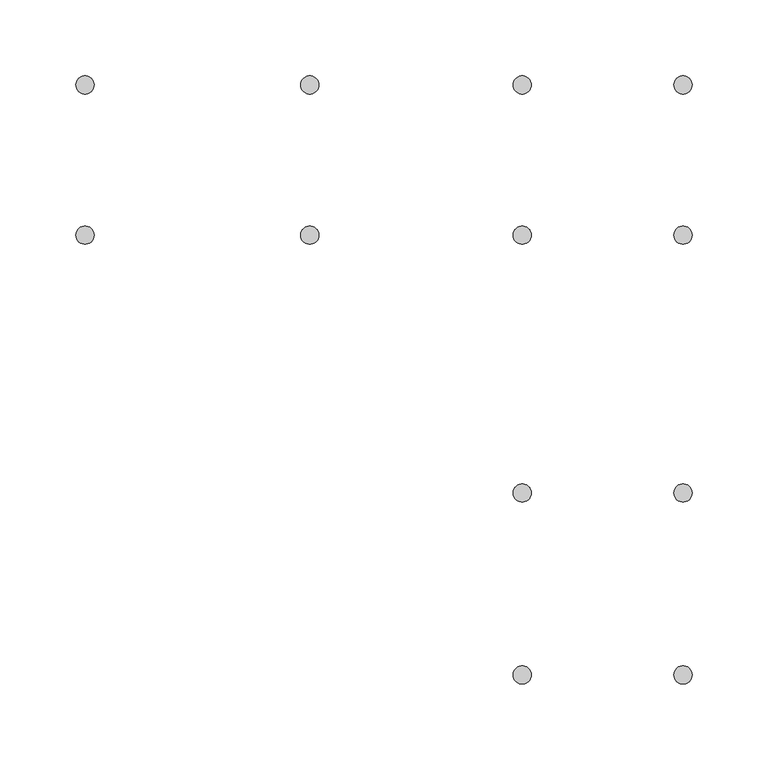
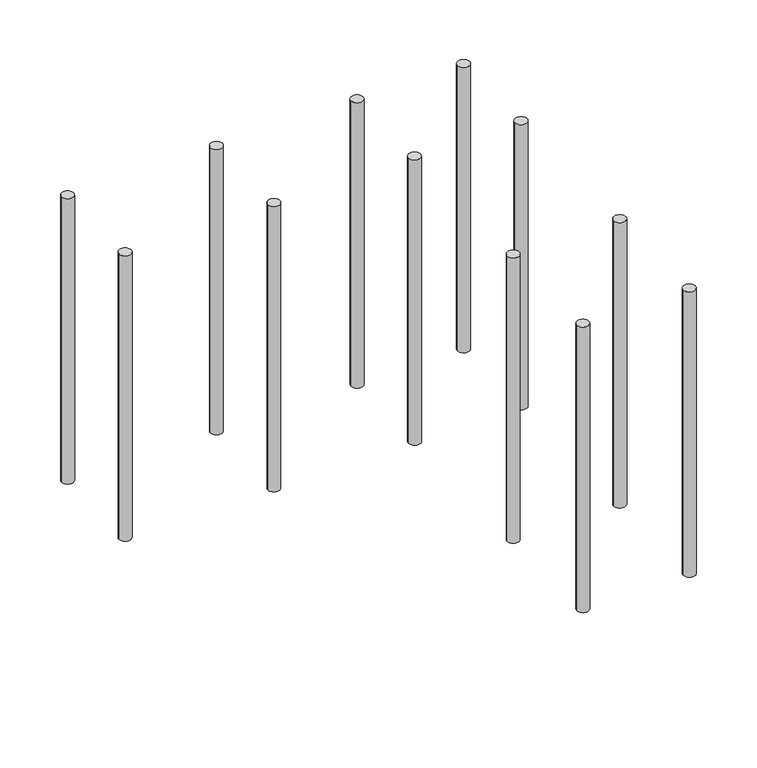
"""IFC4 building model written with IfcOpenShell, lengths in millimetres: proxy geometry."""

from ifc_helpers import new_model, si_unit, point, frame, frame_2d, origin, place, context, project, spatial, circle_curve, trimmed, segment, composite_curve, outline, extrude, source, transform, mapped, element, save


def generic_models_ec2449ee(model_context):
    return source(origin(), model_context, "Body", "SweptSolid", [
        extrude(outline(composite_curve([segment(trimmed(circle_curve(frame_2d((18299.8265066, 11618.1304458)), 6.0), [point((18293.8265066, 11618.1304458))], [point((18305.8265066, 11618.1304458))], False, "CARTESIAN"), True, "CONTINUOUS"), segment(trimmed(circle_curve(frame_2d((18299.8265066, 11618.1304458)), 6.0), [point((18305.8265066, 11618.1304458))], [point((18293.8265066, 11618.1304458))], False, "CARTESIAN"), True, "CONTINUOUS")], self_intersect=False)), frame((0.0, 0.0, 6660.0), z_axis=(0.0, 0.0, 1.0), x_axis=(1.0, 0.0, 0.0)), (0.0, 0.0, 1.0), 300.0),
        extrude(outline(composite_curve([segment(trimmed(circle_curve(frame_2d((18193.8265066, 11618.1304458)), 6.0), [point((18187.8265066, 11618.1304458))], [point((18199.8265066, 11618.1304458))], False, "CARTESIAN"), True, "CONTINUOUS"), segment(trimmed(circle_curve(frame_2d((18193.8265066, 11618.1304458)), 6.0), [point((18199.8265066, 11618.1304458))], [point((18187.8265066, 11618.1304458))], False, "CARTESIAN"), True, "CONTINUOUS")], self_intersect=False)), frame((0.0, 0.0, 6660.0), z_axis=(0.0, 0.0, 1.0), x_axis=(1.0, 0.0, 0.0)), (0.0, 0.0, 1.0), 300.0),
        extrude(outline(composite_curve([segment(trimmed(circle_curve(frame_2d((18299.8265066, 11498.1304458)), 6.0), [point((18293.8265066, 11498.1304458))], [point((18305.8265066, 11498.1304458))], False, "CARTESIAN"), True, "CONTINUOUS"), segment(trimmed(circle_curve(frame_2d((18299.8265066, 11498.1304458)), 6.0), [point((18305.8265066, 11498.1304458))], [point((18293.8265066, 11498.1304458))], False, "CARTESIAN"), True, "CONTINUOUS")], self_intersect=False)), frame((0.0, 0.0, 6660.0), z_axis=(0.0, 0.0, 1.0), x_axis=(1.0, 0.0, 0.0)), (0.0, 0.0, 1.0), 300.0),
        extrude(outline(composite_curve([segment(trimmed(circle_curve(frame_2d((18193.8265066, 11498.1304458)), 6.0), [point((18187.8265066, 11498.1304458))], [point((18199.8265066, 11498.1304458))], False, "CARTESIAN"), True, "CONTINUOUS"), segment(trimmed(circle_curve(frame_2d((18193.8265066, 11498.1304458)), 6.0), [point((18199.8265066, 11498.1304458))], [point((18187.8265066, 11498.1304458))], False, "CARTESIAN"), True, "CONTINUOUS")], self_intersect=False)), frame((0.0, 0.0, 6660.0), z_axis=(0.0, 0.0, 1.0), x_axis=(1.0, 0.0, 0.0)), (0.0, 0.0, 1.0), 300.0),
        extrude(outline(composite_curve([segment(trimmed(circle_curve(frame_2d((18299.8265066, 11788.1304458)), 6.0), [point((18293.8265066, 11788.1304458))], [point((18305.8265066, 11788.1304458))], False, "CARTESIAN"), True, "CONTINUOUS"), segment(trimmed(circle_curve(frame_2d((18299.8265066, 11788.1304458)), 6.0), [point((18305.8265066, 11788.1304458))], [point((18293.8265066, 11788.1304458))], False, "CARTESIAN"), True, "CONTINUOUS")], self_intersect=False)), frame((0.0, 0.0, 6660.0), z_axis=(0.0, 0.0, 1.0), x_axis=(1.0, 0.0, 0.0)), (0.0, 0.0, 1.0), 300.0),
        extrude(outline(composite_curve([segment(trimmed(circle_curve(frame_2d((18193.8265066, 11788.1304458)), 6.0), [point((18187.8265066, 11788.1304458))], [point((18199.8265066, 11788.1304458))], False, "CARTESIAN"), True, "CONTINUOUS"), segment(trimmed(circle_curve(frame_2d((18193.8265066, 11788.1304458)), 6.0), [point((18199.8265066, 11788.1304458))], [point((18187.8265066, 11788.1304458))], False, "CARTESIAN"), True, "CONTINUOUS")], self_intersect=False)), frame((0.0, 0.0, 6660.0), z_axis=(0.0, 0.0, 1.0), x_axis=(1.0, 0.0, 0.0)), (0.0, 0.0, 1.0), 300.0),
        extrude(outline(composite_curve([segment(trimmed(circle_curve(frame_2d((18299.8265066, 11887.21218)), 6.0), [point((18293.8265066, 11887.21218))], [point((18305.8265066, 11887.21218))], False, "CARTESIAN"), True, "CONTINUOUS"), segment(trimmed(circle_curve(frame_2d((18299.8265066, 11887.21218)), 6.0), [point((18305.8265066, 11887.21218))], [point((18293.8265066, 11887.21218))], False, "CARTESIAN"), True, "CONTINUOUS")], self_intersect=False)), frame((0.0, 0.0, 6660.0), z_axis=(0.0, 0.0, 1.0), x_axis=(1.0, 0.0, 0.0)), (0.0, 0.0, 1.0), 300.0),
        extrude(outline(composite_curve([segment(trimmed(circle_curve(frame_2d((18193.8265066, 11887.21218)), 6.0), [point((18187.8265066, 11887.21218))], [point((18199.8265066, 11887.21218))], False, "CARTESIAN"), True, "CONTINUOUS"), segment(trimmed(circle_curve(frame_2d((18193.8265066, 11887.21218)), 6.0), [point((18199.8265066, 11887.21218))], [point((18187.8265066, 11887.21218))], False, "CARTESIAN"), True, "CONTINUOUS")], self_intersect=False)), frame((0.0, 0.0, 6660.0), z_axis=(0.0, 0.0, 1.0), x_axis=(1.0, 0.0, 0.0)), (0.0, 0.0, 1.0), 300.0),
        extrude(outline(composite_curve([segment(trimmed(circle_curve(frame_2d((18053.8265066, 11788.1304458)), 6.0), [point((18047.8265066, 11788.1304458))], [point((18059.8265066, 11788.1304458))], False, "CARTESIAN"), True, "CONTINUOUS"), segment(trimmed(circle_curve(frame_2d((18053.8265066, 11788.1304458)), 6.0), [point((18059.8265066, 11788.1304458))], [point((18047.8265066, 11788.1304458))], False, "CARTESIAN"), True, "CONTINUOUS")], self_intersect=False)), frame((0.0, 0.0, 6660.0), z_axis=(0.0, 0.0, 1.0), x_axis=(1.0, 0.0, 0.0)), (0.0, 0.0, 1.0), 300.0),
        extrude(outline(composite_curve([segment(trimmed(circle_curve(frame_2d((18053.8265066, 11887.21218)), 6.0), [point((18047.8265066, 11887.21218))], [point((18059.8265066, 11887.21218))], False, "CARTESIAN"), True, "CONTINUOUS"), segment(trimmed(circle_curve(frame_2d((18053.8265066, 11887.21218)), 6.0), [point((18059.8265066, 11887.21218))], [point((18047.8265066, 11887.21218))], False, "CARTESIAN"), True, "CONTINUOUS")], self_intersect=False)), frame((0.0, 0.0, 6660.0), z_axis=(0.0, 0.0, 1.0), x_axis=(1.0, 0.0, 0.0)), (0.0, 0.0, 1.0), 300.0),
        extrude(outline(composite_curve([segment(trimmed(circle_curve(frame_2d((17905.7015066, 11788.1304458)), 6.0), [point((17899.7015066, 11788.1304458))], [point((17911.7015066, 11788.1304458))], False, "CARTESIAN"), True, "CONTINUOUS"), segment(trimmed(circle_curve(frame_2d((17905.7015066, 11788.1304458)), 6.0), [point((17911.7015066, 11788.1304458))], [point((17899.7015066, 11788.1304458))], False, "CARTESIAN"), True, "CONTINUOUS")], self_intersect=False)), frame((0.0, 0.0, 6660.0), z_axis=(0.0, 0.0, 1.0), x_axis=(1.0, 0.0, 0.0)), (0.0, 0.0, 1.0), 300.0),
        extrude(outline(composite_curve([segment(trimmed(circle_curve(frame_2d((17905.7015066, 11887.21218)), 6.0), [point((17899.7015066, 11887.21218))], [point((17911.7015066, 11887.21218))], False, "CARTESIAN"), True, "CONTINUOUS"), segment(trimmed(circle_curve(frame_2d((17905.7015066, 11887.21218)), 6.0), [point((17911.7015066, 11887.21218))], [point((17899.7015066, 11887.21218))], False, "CARTESIAN"), True, "CONTINUOUS")], self_intersect=False)), frame((0.0, 0.0, 6660.0), z_axis=(0.0, 0.0, 1.0), x_axis=(1.0, 0.0, 0.0)), (0.0, 0.0, 1.0), 300.0),
    ])


if __name__ == "__main__":
    model = new_model("IFC4")
    model_context = context("Model", 3, world=origin())
    ifc_project = project(units=[si_unit("LENGTHUNIT", "METRE", prefix="MILLI")], contexts=[model_context])
    site = spatial("IfcSite", under=ifc_project)
    building = spatial("IfcBuilding", under=site)
    placement = place(None, origin())
    generic_models_shape = generic_models_ec2449ee(model_context)
    element("IfcBuildingElementProxy", 1, Name="Generic Models", at=placement, inside=building, context=model_context, shape_type="MappedRepresentation", body=[
        mapped(generic_models_shape, transform((0.0, 0.0, 0.0), x_axis=(1.0, 0.0, 0.0), y_axis=(0.0, 1.0, 0.0), z_axis=(0.0, 0.0, 1.0))),
    ])
    save(model, "model.ifc")
